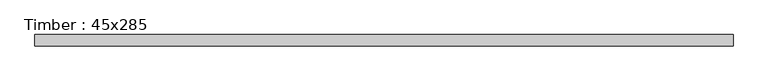
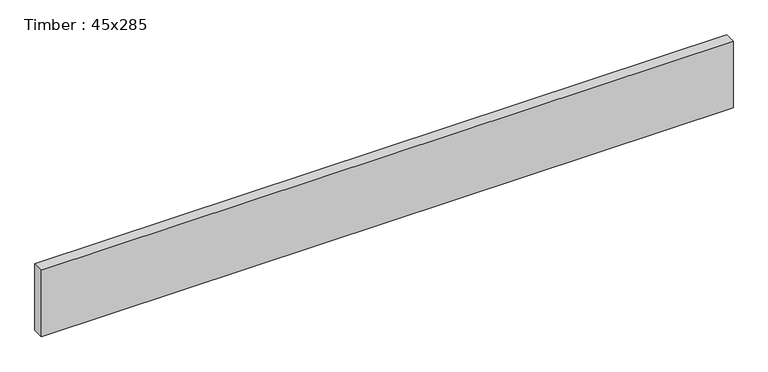
"""IFC4 building model written with IfcOpenShell, lengths in millimetres: beam geometry, Timber : 45x285."""

import ifcopenshell
import ifcopenshell.guid

model = None  # the IFC model being written
_history = None  # IfcOwnerHistory: only IFC2X3 demands one
_inside = {}  # id of a spatial element -> (the spatial element, [elements in it])
_under = {}  # id of a project, library or spatial element -> (it, [spatial elements below it])
_declared = {}  # id of a project -> (the project, [libraries it declares])
_typed = {}  # id of a type object -> (the type object, [elements of that type])
_made_of = {}  # id of a material, layer set ... -> (it, [elements and type objects made of it])


def new_model(schema):
    """Start an empty IFC model of exactly this schema.

    Asked for "IFC4X3", IfcOpenShell would pick the latest addendum, in which some entities
    have other attributes; the version numbers below select the first issue.
    IFC2X3 requires an IfcOwnerHistory on every rooted entity: one is made here for all.
    """
    global model, _history
    if schema == "IFC4X3":
        model = ifcopenshell.file(schema_version=(4, 3, 0, 0))
    else:
        model = ifcopenshell.file(schema=schema)
    _inside.clear()
    _under.clear()
    _declared.clear()
    _typed.clear()
    _made_of.clear()
    _history = None
    if model.schema == "IFC2X3":
        org = make("IfcOrganization", Name="unknown")
        user = make(
            "IfcPersonAndOrganization",
            ThePerson=make("IfcPerson", FamilyName="unknown"),
            TheOrganization=org,
        )
        app = make(
            "IfcApplication",
            ApplicationDeveloper=org,
            Version="unknown",
            ApplicationFullName="unknown",
            ApplicationIdentifier="unknown",
        )
        _history = make(
            "IfcOwnerHistory",
            OwningUser=user,
            OwningApplication=app,
            ChangeAction="ADDED",
            CreationDate=0,
        )
    return model


def make(cls, **values):
    """One entity of the class cls with the attributes given. An attribute that is None is left unset."""
    return model.create_entity(
        cls, **{name: value for name, value in values.items() if value is not None}
    )


def rooted(cls, **values):
    """An entity with a GlobalId (a new one), such as an element, a storey or a relation."""
    return make(cls, GlobalId=ifcopenshell.guid.new(), OwnerHistory=_history, **values)


def si_unit(unit_type, name, prefix=None):
    """IfcSIUnit, for example si_unit("LENGTHUNIT", "METRE", prefix="MILLI")."""
    return make("IfcSIUnit", UnitType=unit_type, Prefix=prefix, Name=name)


def assignment(units):
    """IfcUnitAssignment: the units of a project."""
    return None if units is None else make("IfcUnitAssignment", Units=units)


def point(xyz):
    """IfcCartesianPoint."""
    return None if xyz is None else make("IfcCartesianPoint", Coordinates=xyz)


def direction(xyz):
    """IfcDirection."""
    return None if xyz is None else make("IfcDirection", DirectionRatios=xyz)


def frame(location, z_axis=None, x_axis=None):
    """IfcAxis2Placement3D, a coordinate frame: its origin and axes. An axis left out is left unset."""
    return make(
        "IfcAxis2Placement3D",
        Location=point(location),
        Axis=direction(z_axis),
        RefDirection=direction(x_axis),
    )


def origin():
    """The frame at (0, 0, 0) with its axes left unset."""
    return frame((0.0, 0.0, 0.0))


def place(relative_to, where):
    """IfcLocalPlacement: puts the frame where relative to a parent placement (None: the world)."""
    return make(
        "IfcLocalPlacement", PlacementRelTo=relative_to, RelativePlacement=where
    )


def context(
    kind, dimensions, precision=None, world=None, true_north=None, identifier=None
):
    """IfcGeometricRepresentationContext, for example the 3D "Model" context."""
    return make(
        "IfcGeometricRepresentationContext",
        ContextIdentifier=identifier,
        ContextType=kind,
        CoordinateSpaceDimension=dimensions,
        Precision=precision,
        WorldCoordinateSystem=world,
        TrueNorth=true_north,
    )


def project(units=None, contexts=None):
    """IfcProject with its units and contexts."""
    return rooted(
        "IfcProject",
        Name="project",
        RepresentationContexts=contexts,
        UnitsInContext=assignment(units),
    )


def spatial(cls, under=None, at=None, **own):
    """A site, building, storey or space (cls), placed at a placement, below another one or the project."""
    s = rooted(cls, ObjectPlacement=at, **own)
    if under is not None:
        _under.setdefault(under.id(), (under, []))[1].append(s)
    return s


def polyline(points):
    """IfcPolyline through the points."""
    return make("IfcPolyline", Points=[point(p) for p in points])


def outline(outer, holes=None, kind="AREA"):
    """IfcArbitraryClosedProfileDef: a profile drawn as a closed curve; with holes, ...WithVoids."""
    if holes is None:
        return make("IfcArbitraryClosedProfileDef", ProfileType=kind, OuterCurve=outer)
    return make(
        "IfcArbitraryProfileDefWithVoids",
        ProfileType=kind,
        OuterCurve=outer,
        InnerCurves=holes,
    )


def extrude(swept, where, along, depth):
    """IfcExtrudedAreaSolid: the profile swept, set in the frame where, extruded along a direction by depth."""
    return make(
        "IfcExtrudedAreaSolid",
        SweptArea=swept,
        Position=where,
        ExtrudedDirection=direction(along),
        Depth=depth,
    )


def shape(context_of_items, identifier, shape_type, items):
    """IfcShapeRepresentation: the items that make up one representation, for example the "Body"."""
    return make(
        "IfcShapeRepresentation",
        ContextOfItems=context_of_items,
        RepresentationIdentifier=identifier,
        RepresentationType=shape_type,
        Items=items,
    )


def source(mapping_origin, context_of_items, identifier, shape_type, items):
    """IfcRepresentationMap: a shape defined once, which mapped items show again and again."""
    return make(
        "IfcRepresentationMap",
        MappingOrigin=mapping_origin,
        MappedRepresentation=shape(context_of_items, identifier, shape_type, items),
    )


def transform(
    local_origin,
    x_axis=None,
    y_axis=None,
    z_axis=None,
    scale=None,
    scale2=None,
    scale3=None,
    uniform=True,
):
    """IfcCartesianTransformationOperator3D, or its non-uniform kind. x_axis, y_axis, z_axis: its Axis1, 2, 3."""
    if uniform:
        return make(
            "IfcCartesianTransformationOperator3D",
            Axis1=direction(x_axis),
            Axis2=direction(y_axis),
            LocalOrigin=point(local_origin),
            Scale=scale,
            Axis3=direction(z_axis),
        )
    return make(
        "IfcCartesianTransformationOperator3DnonUniform",
        Axis1=direction(x_axis),
        Axis2=direction(y_axis),
        LocalOrigin=point(local_origin),
        Scale=scale,
        Axis3=direction(z_axis),
        Scale2=scale2,
        Scale3=scale3,
    )


def mapped(mapping_source, mapping_target):
    """IfcMappedItem: shows the shape of a source again, moved by a transform."""
    return make(
        "IfcMappedItem", MappingSource=mapping_source, MappingTarget=mapping_target
    )


def made_of(thing, what):
    """Note that an element or type object is made of a material, layer set ...; save() writes the relation."""
    if what is not None:
        _made_of.setdefault(what.id(), (what, []))[1].append(thing)
    return thing


def element(
    cls,
    number,
    at=None,
    inside=None,
    cuts=None,
    type_object=None,
    material=None,
    context=None,
    identifier="Body",
    shape_type=None,
    held_by="IfcProductDefinitionShape",
    body=None,
    shapes=None,
    **own,
):
    """One element of the class cls, such as IfcWall. Its Tag is "e" and its number.

    at: its placement. inside: the storey or other place that contains it. cuts: it is an
    opening in that element (IfcRelVoidsElement). A single representation is given by context,
    identifier, shape_type and body (its items); several are given by shapes. held_by: the class
    of the entity that holds the representations. save() writes the other relations.
    """
    e = rooted(cls, Tag="e%d" % number, ObjectPlacement=at, **own)
    if body is not None:
        shapes = [shape(context, identifier, shape_type, body)]
    if shapes is not None:
        e.Representation = make(held_by, Representations=shapes)
    if inside is not None:
        _inside.setdefault(inside.id(), (inside, []))[1].append(e)
    if cuts is not None:
        rooted(
            "IfcRelVoidsElement", RelatingBuildingElement=cuts, RelatedOpeningElement=e
        )
    if type_object is not None:
        _typed.setdefault(type_object.id(), (type_object, []))[1].append(e)
    return made_of(e, material)


def aggregate(whole, parts):
    """IfcRelAggregates: a whole, such as a stair, and the parts it consists of."""
    return rooted("IfcRelAggregates", RelatingObject=whole, RelatedObjects=parts)


def save(model, path):
    """Write the relations noted so far, then the file.

    IfcRelAggregates (storeys below a building ...), IfcRelContainedInSpatialStructure (elements
    in a storey), IfcRelDefinesByType, IfcRelAssociatesMaterial and IfcRelDeclares: one each for
    every whole, place, type object, material and project.
    """
    for whole, parts in _under.values():
        aggregate(whole, parts)
    for where, things in _inside.values():
        rooted(
            "IfcRelContainedInSpatialStructure",
            RelatedElements=things,
            RelatingStructure=where,
        )
    for kind, things in _typed.values():
        rooted("IfcRelDefinesByType", RelatedObjects=things, RelatingType=kind)
    for what, things in _made_of.values():
        rooted("IfcRelAssociatesMaterial", RelatedObjects=things, RelatingMaterial=what)
    for by, libraries in _declared.values():
        rooted("IfcRelDeclares", RelatingContext=by, RelatedDefinitions=libraries)
    model.write(path)


def timber_45x285_aa857e97(model_context):
    return source(origin(), model_context, "Body", "SweptSolid", [
        extrude(outline(polyline([(1404.0, 22.5), (1404.0, -22.5), (-1404.0, -22.5), (-1404.0, 22.5), (1404.0, 22.5)])), frame((0.0, 0.0, -142.5), z_axis=(0.0, 0.0, 1.0), x_axis=(1.0, 0.0, 0.0)), (0.0, 0.0, 1.0), 285.0),
    ])


if __name__ == "__main__":
    model = new_model("IFC4")
    model_context = context("Model", 3, world=origin())
    ifc_project = project(units=[si_unit("LENGTHUNIT", "METRE", prefix="MILLI")], contexts=[model_context])
    site = spatial("IfcSite", under=ifc_project)
    building = spatial("IfcBuilding", under=site)
    placement = place(None, origin())
    timber_45x285_shape = timber_45x285_aa857e97(model_context)
    element("IfcBeam", 1, ObjectType="Timber : 45x285", at=placement, inside=building, context=model_context, shape_type="MappedRepresentation", body=[
        mapped(timber_45x285_shape, transform((0.0, 0.0, 0.0), x_axis=(1.0, 0.0, 0.0), y_axis=(0.0, 1.0, 0.0), z_axis=(0.0, 0.0, 1.0))),
    ])
    save(model, "model.ifc")
